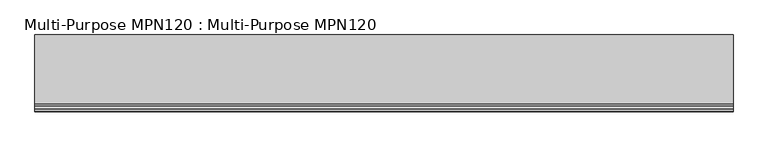
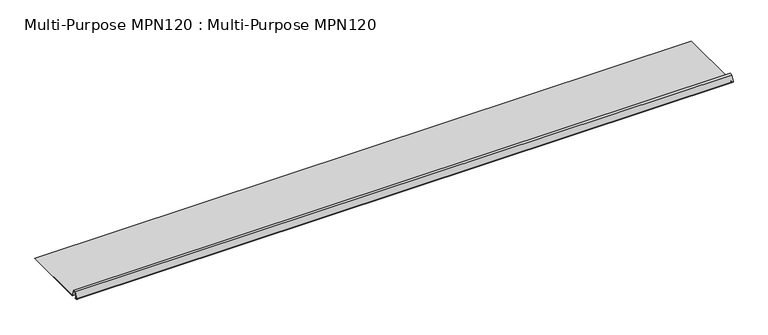
"""IFC4 building model written with IfcOpenShell, lengths in millimetres: proxy geometry, Multi-Purpose MPN120 : Multi-Purpose MPN120."""

from ifc_helpers import new_model, si_unit, point, frame, frame_2d, origin, place, context, project, spatial, polyline, circle_curve, trimmed, segment, composite_curve, outline, extrude, source, transform, mapped, element, save


def multi_purpose_mpn120_multi_purpose_mpn120_af5df661(model_context):
    return source(origin(), model_context, "Body", "SweptSolid", [
        extrude(outline(composite_curve([segment(polyline([(-172.8525819, 72.199229), (-173.3868965, 71.5867327), (-174.268001, 72.3553691)]), True, "CONTINUOUS"), segment(trimmed(circle_curve(frame_2d((-175.5662185, 70.8671945)), 1.97485), [point((-174.268001, 72.3553691))], [point((-176.6559737, 72.5141511))], True, "CARTESIAN"), True, "CONTINUOUS"), segment(polyline([(-176.6559737, 72.5141511), (-179.459205, 70.6593143)]), True, "CONTINUOUS"), segment(trimmed(circle_curve(frame_2d((-180.7732185, 72.6451945)), 2.38125), [point((-179.459205, 70.6593143))], [point((-183.0108615, 73.4596299))], False, "CARTESIAN"), True, "CONTINUOUS"), segment(polyline([(-183.0108615, 73.4596299), (-172.913776, 101.2011445), (-160.213776, 101.2011445), (-148.9535561, 70.2639445), (152.1255315, 70.2639445), (152.1255315, 69.4511445), (-149.5226848, 69.4511445), (-160.7829047, 100.3883445), (-172.3446473, 100.3883445), (-182.2470794, 73.181636)]), True, "CONTINUOUS"), segment(trimmed(circle_curve(frame_2d((-180.7732185, 72.6451945)), 1.56845), [point((-182.2470794, 73.181636))], [point((-179.9077216, 71.3371614))], True, "CARTESIAN"), True, "CONTINUOUS"), segment(polyline([(-179.9077216, 71.3371614), (-177.1044903, 73.1919982)]), True, "CONTINUOUS"), segment(trimmed(circle_curve(frame_2d((-175.5662185, 70.8671945)), 2.78765), [point((-177.1044903, 73.1919982))], [point((-173.7336864, 72.9678655))], False, "CARTESIAN"), True, "CONTINUOUS"), segment(polyline([(-173.7336864, 72.9678655), (-172.8525819, 72.199229)]), True, "CONTINUOUS")], self_intersect=False)), frame((-1102.2989423, 0.0, 0.0), z_axis=(1.0, 0.0, 0.0), x_axis=(0.0, 1.0, 0.0)), (0.0, 0.0, 1.0), 3048.0),
    ])


if __name__ == "__main__":
    model = new_model("IFC4")
    model_context = context("Model", 3, world=origin())
    ifc_project = project(units=[si_unit("LENGTHUNIT", "METRE", prefix="MILLI")], contexts=[model_context])
    site = spatial("IfcSite", under=ifc_project)
    building = spatial("IfcBuilding", under=site)
    placement = place(None, origin())
    multi_purpose_mpn120_multi_purpose_mpn120_shape = multi_purpose_mpn120_multi_purpose_mpn120_af5df661(model_context)
    element("IfcBuildingElementProxy", 1, Name="Multi-Purpose MPN120 : Multi-Purpose MPN120", ObjectType="Multi-Purpose MPN120 : Multi-Purpose MPN120", at=placement, inside=building, context=model_context, shape_type="MappedRepresentation", body=[
        mapped(multi_purpose_mpn120_multi_purpose_mpn120_shape, transform((0.0, 0.0, 0.0), x_axis=(1.0, 0.0, 0.0), y_axis=(0.0, 1.0, 0.0), z_axis=(0.0, 0.0, 1.0))),
    ])
    save(model, "model.ifc")
